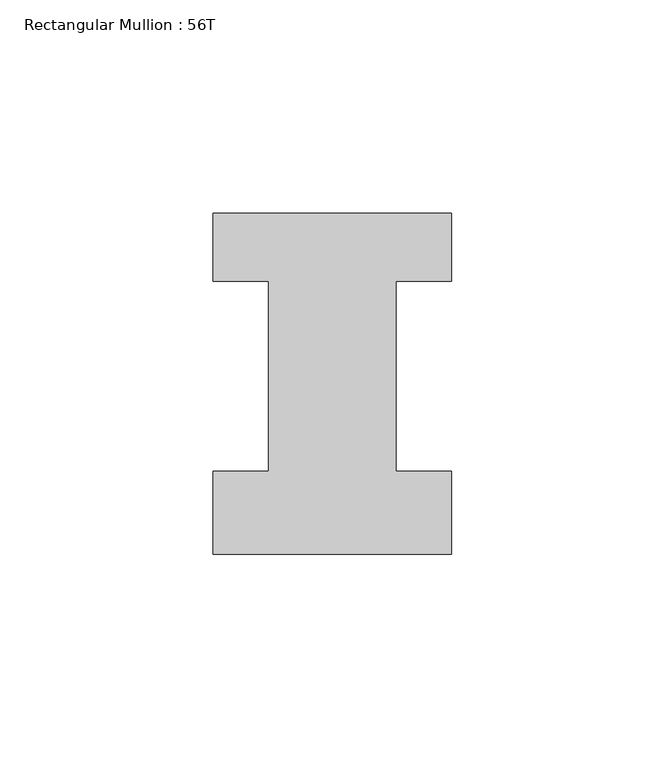
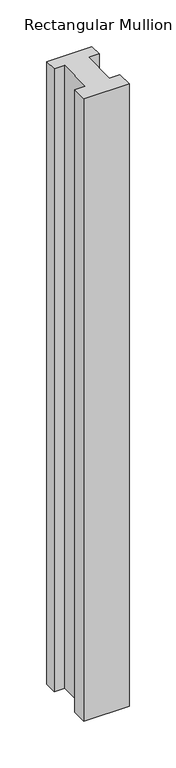
"""IFC4 building model written with IfcOpenShell, lengths in millimetres: member geometry, Rectangular Mullion : 56T."""

from ifc_helpers import new_model, si_unit, frame, origin, place, context, project, spatial, polyline, outline, extrude, source, transform, mapped, element, save


def rectangular_mullion_56t_e1c991e2(model_context):
    return source(origin(), model_context, "Body", "SweptSolid", [
        extrude(outline(polyline([(28.0, -20.0), (-28.0, -20.0), (-28.0, -0.5), (-15.0, -0.5), (-15.0, 44.0), (-28.0, 44.0), (-28.0, 60.0), (28.0, 60.0), (28.0, 44.0), (15.0, 44.0), (15.0, -0.5), (28.0, -0.5), (28.0, -20.0)])), frame((0.0, 0.0, -816.0), z_axis=(0.0, 0.0, 1.0), x_axis=(1.0, 0.0, 0.0)), (0.0, 0.0, 1.0), 816.0),
    ])


if __name__ == "__main__":
    model = new_model("IFC4")
    model_context = context("Model", 3, world=origin())
    ifc_project = project(units=[si_unit("LENGTHUNIT", "METRE", prefix="MILLI")], contexts=[model_context])
    site = spatial("IfcSite", under=ifc_project)
    building = spatial("IfcBuilding", under=site)
    placement = place(None, origin())
    rectangular_mullion_56t_shape = rectangular_mullion_56t_e1c991e2(model_context)
    element("IfcMember", 1, ObjectType="Rectangular Mullion : 56T", at=placement, inside=building, context=model_context, shape_type="MappedRepresentation", body=[
        mapped(rectangular_mullion_56t_shape, transform((0.0, 0.0, 0.0), x_axis=(1.0, 0.0, 0.0), y_axis=(0.0, 1.0, 0.0), z_axis=(0.0, 0.0, 1.0))),
    ])
    save(model, "model.ifc")
